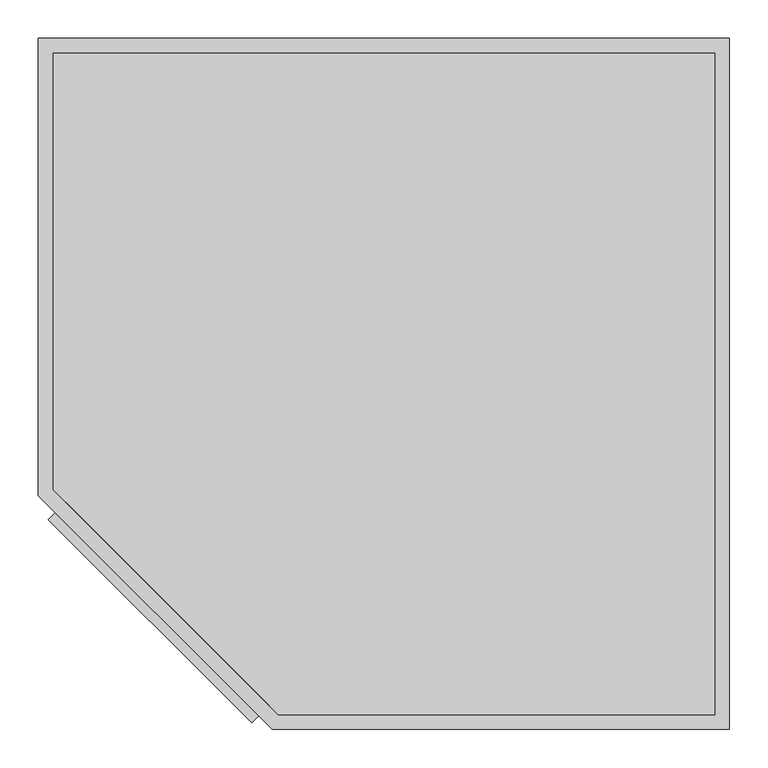
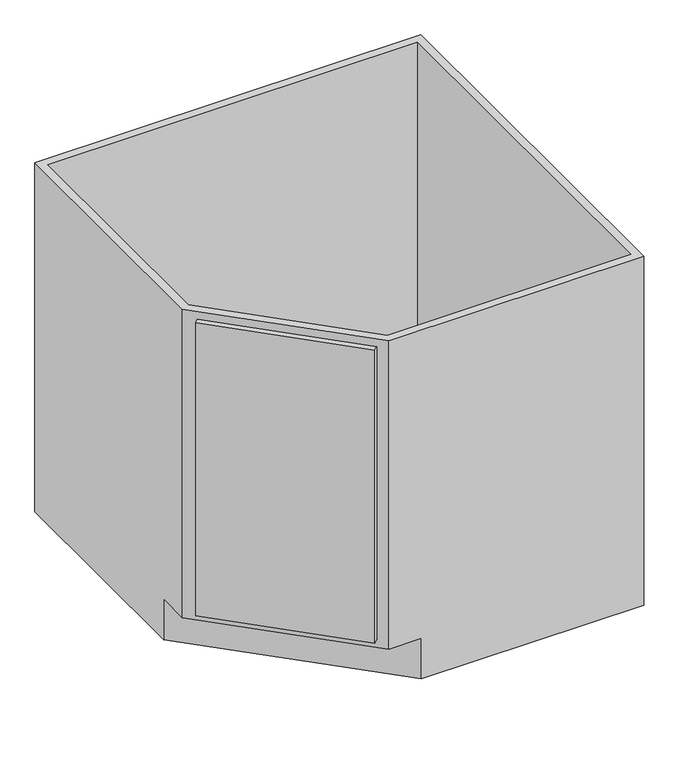
"""IFC4 building model written with IfcOpenShell, lengths in millimetres: furniture geometry."""

import ifcopenshell
import ifcopenshell.guid

model = None  # the IFC model being written
_history = None  # IfcOwnerHistory: only IFC2X3 demands one
_inside = {}  # id of a spatial element -> (the spatial element, [elements in it])
_under = {}  # id of a project, library or spatial element -> (it, [spatial elements below it])
_declared = {}  # id of a project -> (the project, [libraries it declares])
_typed = {}  # id of a type object -> (the type object, [elements of that type])
_made_of = {}  # id of a material, layer set ... -> (it, [elements and type objects made of it])


def new_model(schema):
    """Start an empty IFC model of exactly this schema.

    Asked for "IFC4X3", IfcOpenShell would pick the latest addendum, in which some entities
    have other attributes; the version numbers below select the first issue.
    IFC2X3 requires an IfcOwnerHistory on every rooted entity: one is made here for all.
    """
    global model, _history
    if schema == "IFC4X3":
        model = ifcopenshell.file(schema_version=(4, 3, 0, 0))
    else:
        model = ifcopenshell.file(schema=schema)
    _inside.clear()
    _under.clear()
    _declared.clear()
    _typed.clear()
    _made_of.clear()
    _history = None
    if model.schema == "IFC2X3":
        org = make("IfcOrganization", Name="unknown")
        user = make(
            "IfcPersonAndOrganization",
            ThePerson=make("IfcPerson", FamilyName="unknown"),
            TheOrganization=org,
        )
        app = make(
            "IfcApplication",
            ApplicationDeveloper=org,
            Version="unknown",
            ApplicationFullName="unknown",
            ApplicationIdentifier="unknown",
        )
        _history = make(
            "IfcOwnerHistory",
            OwningUser=user,
            OwningApplication=app,
            ChangeAction="ADDED",
            CreationDate=0,
        )
    return model


def make(cls, **values):
    """One entity of the class cls with the attributes given. An attribute that is None is left unset."""
    return model.create_entity(
        cls, **{name: value for name, value in values.items() if value is not None}
    )


def rooted(cls, **values):
    """An entity with a GlobalId (a new one), such as an element, a storey or a relation."""
    return make(cls, GlobalId=ifcopenshell.guid.new(), OwnerHistory=_history, **values)


def si_unit(unit_type, name, prefix=None):
    """IfcSIUnit, for example si_unit("LENGTHUNIT", "METRE", prefix="MILLI")."""
    return make("IfcSIUnit", UnitType=unit_type, Prefix=prefix, Name=name)


def assignment(units):
    """IfcUnitAssignment: the units of a project."""
    return None if units is None else make("IfcUnitAssignment", Units=units)


def point(xyz):
    """IfcCartesianPoint."""
    return None if xyz is None else make("IfcCartesianPoint", Coordinates=xyz)


def direction(xyz):
    """IfcDirection."""
    return None if xyz is None else make("IfcDirection", DirectionRatios=xyz)


def frame(location, z_axis=None, x_axis=None):
    """IfcAxis2Placement3D, a coordinate frame: its origin and axes. An axis left out is left unset."""
    return make(
        "IfcAxis2Placement3D",
        Location=point(location),
        Axis=direction(z_axis),
        RefDirection=direction(x_axis),
    )


def origin():
    """The frame at (0, 0, 0) with its axes left unset."""
    return frame((0.0, 0.0, 0.0))


def place(relative_to, where):
    """IfcLocalPlacement: puts the frame where relative to a parent placement (None: the world)."""
    return make(
        "IfcLocalPlacement", PlacementRelTo=relative_to, RelativePlacement=where
    )


def context(
    kind, dimensions, precision=None, world=None, true_north=None, identifier=None
):
    """IfcGeometricRepresentationContext, for example the 3D "Model" context."""
    return make(
        "IfcGeometricRepresentationContext",
        ContextIdentifier=identifier,
        ContextType=kind,
        CoordinateSpaceDimension=dimensions,
        Precision=precision,
        WorldCoordinateSystem=world,
        TrueNorth=true_north,
    )


def project(units=None, contexts=None):
    """IfcProject with its units and contexts."""
    return rooted(
        "IfcProject",
        Name="project",
        RepresentationContexts=contexts,
        UnitsInContext=assignment(units),
    )


def spatial(cls, under=None, at=None, **own):
    """A site, building, storey or space (cls), placed at a placement, below another one or the project."""
    s = rooted(cls, ObjectPlacement=at, **own)
    if under is not None:
        _under.setdefault(under.id(), (under, []))[1].append(s)
    return s


def polyline(points):
    """IfcPolyline through the points."""
    return make("IfcPolyline", Points=[point(p) for p in points])


def outline(outer, holes=None, kind="AREA"):
    """IfcArbitraryClosedProfileDef: a profile drawn as a closed curve; with holes, ...WithVoids."""
    if holes is None:
        return make("IfcArbitraryClosedProfileDef", ProfileType=kind, OuterCurve=outer)
    return make(
        "IfcArbitraryProfileDefWithVoids",
        ProfileType=kind,
        OuterCurve=outer,
        InnerCurves=holes,
    )


def extrude(swept, where, along, depth):
    """IfcExtrudedAreaSolid: the profile swept, set in the frame where, extruded along a direction by depth."""
    return make(
        "IfcExtrudedAreaSolid",
        SweptArea=swept,
        Position=where,
        ExtrudedDirection=direction(along),
        Depth=depth,
    )


def faces_of(points, faces, orient=None, outer=None):
    """IfcFace entities. A face is a list of loops; a loop is a list of indices into points, from 0.

    orient and outer hold one flag for each loop. By default every Orientation is true, the
    first loop of a face is its IfcFaceOuterBound and the others are IfcFaceBound.
    """
    made = []
    for i, loops in enumerate(faces):
        bounds = []
        for j, loop in enumerate(loops):
            is_outer = j == 0 if outer is None else outer[i][j]
            bounds.append(
                make(
                    "IfcFaceOuterBound" if is_outer else "IfcFaceBound",
                    Bound=make("IfcPolyLoop", Polygon=[points[k] for k in loop]),
                    Orientation=True if orient is None else orient[i][j],
                )
            )
        made.append(make("IfcFace", Bounds=bounds))
    return made


def faceted_brep(points, faces, orient=None, outer=None, voids=None):
    """IfcFacetedBrep: a solid bounded by flat faces; with voids (closed shells), ...WithVoids."""
    shared = [point(p) for p in points]
    hull = make("IfcClosedShell", CfsFaces=faces_of(shared, faces, orient, outer))
    if voids is None:
        return make("IfcFacetedBrep", Outer=hull)
    return make(
        "IfcFacetedBrepWithVoids",
        Outer=hull,
        Voids=[
            make(cls, CfsFaces=faces_of(shared, fs, o, b)) for cls, fs, o, b in voids
        ],
    )


def shape(context_of_items, identifier, shape_type, items):
    """IfcShapeRepresentation: the items that make up one representation, for example the "Body"."""
    return make(
        "IfcShapeRepresentation",
        ContextOfItems=context_of_items,
        RepresentationIdentifier=identifier,
        RepresentationType=shape_type,
        Items=items,
    )


def source(mapping_origin, context_of_items, identifier, shape_type, items):
    """IfcRepresentationMap: a shape defined once, which mapped items show again and again."""
    return make(
        "IfcRepresentationMap",
        MappingOrigin=mapping_origin,
        MappedRepresentation=shape(context_of_items, identifier, shape_type, items),
    )


def transform(
    local_origin,
    x_axis=None,
    y_axis=None,
    z_axis=None,
    scale=None,
    scale2=None,
    scale3=None,
    uniform=True,
):
    """IfcCartesianTransformationOperator3D, or its non-uniform kind. x_axis, y_axis, z_axis: its Axis1, 2, 3."""
    if uniform:
        return make(
            "IfcCartesianTransformationOperator3D",
            Axis1=direction(x_axis),
            Axis2=direction(y_axis),
            LocalOrigin=point(local_origin),
            Scale=scale,
            Axis3=direction(z_axis),
        )
    return make(
        "IfcCartesianTransformationOperator3DnonUniform",
        Axis1=direction(x_axis),
        Axis2=direction(y_axis),
        LocalOrigin=point(local_origin),
        Scale=scale,
        Axis3=direction(z_axis),
        Scale2=scale2,
        Scale3=scale3,
    )


def mapped(mapping_source, mapping_target):
    """IfcMappedItem: shows the shape of a source again, moved by a transform."""
    return make(
        "IfcMappedItem", MappingSource=mapping_source, MappingTarget=mapping_target
    )


def made_of(thing, what):
    """Note that an element or type object is made of a material, layer set ...; save() writes the relation."""
    if what is not None:
        _made_of.setdefault(what.id(), (what, []))[1].append(thing)
    return thing


def element(
    cls,
    number,
    at=None,
    inside=None,
    cuts=None,
    type_object=None,
    material=None,
    context=None,
    identifier="Body",
    shape_type=None,
    held_by="IfcProductDefinitionShape",
    body=None,
    shapes=None,
    **own,
):
    """One element of the class cls, such as IfcWall. Its Tag is "e" and its number.

    at: its placement. inside: the storey or other place that contains it. cuts: it is an
    opening in that element (IfcRelVoidsElement). A single representation is given by context,
    identifier, shape_type and body (its items); several are given by shapes. held_by: the class
    of the entity that holds the representations. save() writes the other relations.
    """
    e = rooted(cls, Tag="e%d" % number, ObjectPlacement=at, **own)
    if body is not None:
        shapes = [shape(context, identifier, shape_type, body)]
    if shapes is not None:
        e.Representation = make(held_by, Representations=shapes)
    if inside is not None:
        _inside.setdefault(inside.id(), (inside, []))[1].append(e)
    if cuts is not None:
        rooted(
            "IfcRelVoidsElement", RelatingBuildingElement=cuts, RelatedOpeningElement=e
        )
    if type_object is not None:
        _typed.setdefault(type_object.id(), (type_object, []))[1].append(e)
    return made_of(e, material)


def aggregate(whole, parts):
    """IfcRelAggregates: a whole, such as a stair, and the parts it consists of."""
    return rooted("IfcRelAggregates", RelatingObject=whole, RelatedObjects=parts)


def save(model, path):
    """Write the relations noted so far, then the file.

    IfcRelAggregates (storeys below a building ...), IfcRelContainedInSpatialStructure (elements
    in a storey), IfcRelDefinesByType, IfcRelAssociatesMaterial and IfcRelDeclares: one each for
    every whole, place, type object, material and project.
    """
    for whole, parts in _under.values():
        aggregate(whole, parts)
    for where, things in _inside.values():
        rooted(
            "IfcRelContainedInSpatialStructure",
            RelatedElements=things,
            RelatingStructure=where,
        )
    for kind, things in _typed.values():
        rooted("IfcRelDefinesByType", RelatedObjects=things, RelatingType=kind)
    for what, things in _made_of.values():
        rooted("IfcRelAssociatesMaterial", RelatedObjects=things, RelatingMaterial=what)
    for by, libraries in _declared.values():
        rooted("IfcRelDeclares", RelatingContext=by, RelatedDefinitions=libraries)
    model.write(path)


def furniture_49d0eb05(model_context):
    return source(origin(), model_context, "Body", "SolidModel", [
        extrude(outline(polyline([(-109.5319116, -891.3284105), (-374.7303593, -626.6922321), (-352.3035566, -604.2177794), (-87.105109, -868.8539578), (-109.5319116, -891.3284105)])), frame((0.0, 0.0, 119.05), z_axis=(0.0, 0.0, 1.0), x_axis=(1.0, 0.0, 0.0)), (0.0, 0.0, 1.0), 721.9),
        faceted_brep([(512.3377049, 0.0, 860.0), (-387.6622951, 0.0, 860.0), (-387.6622951, -595.8462317, 860.0), (-82.8622951, -900.0, 860.0), (512.3377049, -900.0, 860.0), (-368.6122951, -587.9436184, 860.0), (-368.6122951, -19.05, 860.0), (493.2877049, -19.05, 860.0), (493.2877049, -880.95, 860.0), (-74.9833665, -880.95, 860.0), (-6.6622951, -900.0, 100.0), (-82.8622951, -900.0, 100.0), (-387.6622951, -595.8462317, 100.0), (-387.6622951, -519.6223805, 100.0), (-368.6122951, -538.6412615, 100.0), (-368.6122951, -587.9436184, 100.0), (-74.9833665, -880.95, 100.0), (-25.743465, -880.95, 100.0), (512.3377049, 0.0, 0.0), (-387.6622951, 0.0, 0.0), (-387.6622951, -519.6223805, 0.0), (-368.6122951, -19.05, 100.0), (493.2877049, -19.05, 100.0), (493.2877049, -880.95, 100.0), (-6.6622951, -900.0, 0.0), (512.3377049, -900.0, 0.0), (-100.5611906, -882.3386294, 840.95), (-100.5611906, -882.3386294, 119.05), (-365.7596382, -617.702451, 119.05), (-365.7596382, -617.702451, 840.95), (-87.105109, -868.8539578, 119.05), (-87.105109, -868.8539578, 840.95), (-352.3035566, -604.2177794, 840.95), (-352.3035566, -604.2177794, 119.05)], [[[0, 1, 2, 3, 4], [5, 6, 7, 8, 9]], [[10, 11, 12, 13, 14, 15, 16, 17]], [[1, 0, 18, 19]], [[2, 1, 19, 20, 13, 12]], [[6, 5, 15, 14, 21]], [[7, 6, 21, 22]], [[8, 7, 22, 23]], [[9, 8, 23, 17, 16]], [[4, 3, 11, 10, 24, 25]], [[0, 4, 25, 18]], [[14, 17, 23, 22, 21]], [[18, 25, 24, 20, 19]], [[20, 24, 10, 17, 14, 13]], [[3, 2, 12, 11], [26, 27, 28, 29]], [[5, 9, 16, 15], [30, 31, 32, 33]], [[30, 27, 26, 31]], [[27, 30, 33, 28]], [[28, 33, 32, 29]], [[31, 26, 29, 32]]]),
        extrude(outline(polyline([(493.2877049, -19.05), (493.2877049, -880.95), (-74.9833665, -880.95), (-368.6122951, -587.9436184), (-368.6122951, -19.05), (493.2877049, -19.05)])), frame((0.0, 0.0, 100.0), z_axis=(0.0, 0.0, 1.0), x_axis=(1.0, 0.0, 0.0)), (0.0, 0.0, 1.0), 19.05),
    ])


if __name__ == "__main__":
    model = new_model("IFC4")
    model_context = context("Model", 3, world=origin())
    ifc_project = project(units=[si_unit("LENGTHUNIT", "METRE", prefix="MILLI")], contexts=[model_context])
    site = spatial("IfcSite", under=ifc_project)
    building = spatial("IfcBuilding", under=site)
    placement = place(None, origin())
    furniture_shape = furniture_49d0eb05(model_context)
    element("IfcFurniture", 1, at=placement, inside=building, context=model_context, shape_type="MappedRepresentation", body=[
        mapped(furniture_shape, transform((0.0, 0.0, 0.0), x_axis=(1.0, 0.0, 0.0), y_axis=(0.0, 1.0, 0.0), z_axis=(0.0, 0.0, 1.0))),
    ])
    save(model, "model.ifc")
